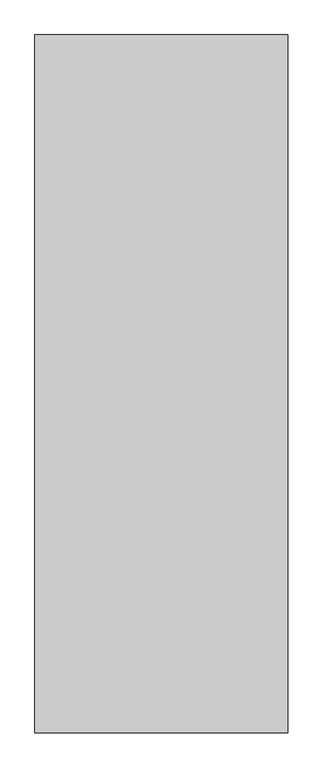
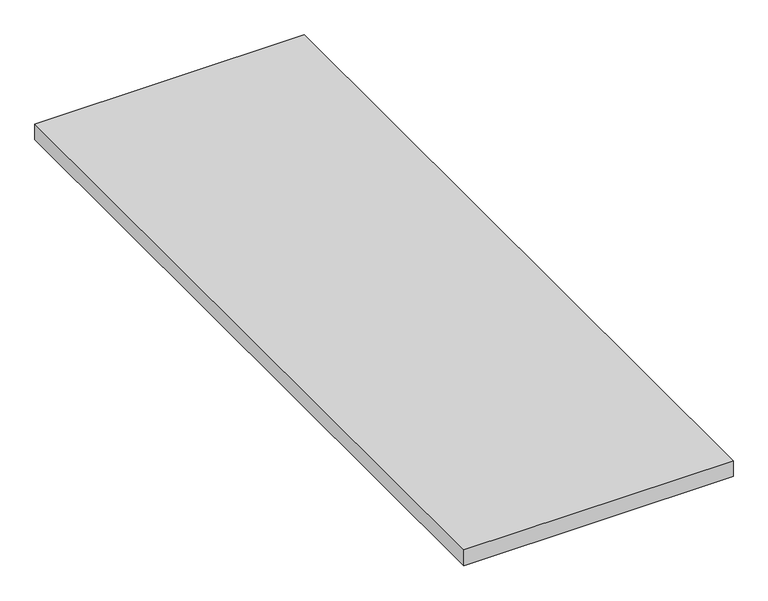
"""IFC4 building model written with IfcOpenShell, lengths in millimetres: proxy geometry."""

import ifcopenshell
import ifcopenshell.guid

model = None  # the IFC model being written
_history = None  # IfcOwnerHistory: only IFC2X3 demands one
_inside = {}  # id of a spatial element -> (the spatial element, [elements in it])
_under = {}  # id of a project, library or spatial element -> (it, [spatial elements below it])
_declared = {}  # id of a project -> (the project, [libraries it declares])
_typed = {}  # id of a type object -> (the type object, [elements of that type])
_made_of = {}  # id of a material, layer set ... -> (it, [elements and type objects made of it])


def new_model(schema):
    """Start an empty IFC model of exactly this schema.

    Asked for "IFC4X3", IfcOpenShell would pick the latest addendum, in which some entities
    have other attributes; the version numbers below select the first issue.
    IFC2X3 requires an IfcOwnerHistory on every rooted entity: one is made here for all.
    """
    global model, _history
    if schema == "IFC4X3":
        model = ifcopenshell.file(schema_version=(4, 3, 0, 0))
    else:
        model = ifcopenshell.file(schema=schema)
    _inside.clear()
    _under.clear()
    _declared.clear()
    _typed.clear()
    _made_of.clear()
    _history = None
    if model.schema == "IFC2X3":
        org = make("IfcOrganization", Name="unknown")
        user = make(
            "IfcPersonAndOrganization",
            ThePerson=make("IfcPerson", FamilyName="unknown"),
            TheOrganization=org,
        )
        app = make(
            "IfcApplication",
            ApplicationDeveloper=org,
            Version="unknown",
            ApplicationFullName="unknown",
            ApplicationIdentifier="unknown",
        )
        _history = make(
            "IfcOwnerHistory",
            OwningUser=user,
            OwningApplication=app,
            ChangeAction="ADDED",
            CreationDate=0,
        )
    return model


def make(cls, **values):
    """One entity of the class cls with the attributes given. An attribute that is None is left unset."""
    return model.create_entity(
        cls, **{name: value for name, value in values.items() if value is not None}
    )


def rooted(cls, **values):
    """An entity with a GlobalId (a new one), such as an element, a storey or a relation."""
    return make(cls, GlobalId=ifcopenshell.guid.new(), OwnerHistory=_history, **values)


def si_unit(unit_type, name, prefix=None):
    """IfcSIUnit, for example si_unit("LENGTHUNIT", "METRE", prefix="MILLI")."""
    return make("IfcSIUnit", UnitType=unit_type, Prefix=prefix, Name=name)


def assignment(units):
    """IfcUnitAssignment: the units of a project."""
    return None if units is None else make("IfcUnitAssignment", Units=units)


def point(xyz):
    """IfcCartesianPoint."""
    return None if xyz is None else make("IfcCartesianPoint", Coordinates=xyz)


def direction(xyz):
    """IfcDirection."""
    return None if xyz is None else make("IfcDirection", DirectionRatios=xyz)


def frame(location, z_axis=None, x_axis=None):
    """IfcAxis2Placement3D, a coordinate frame: its origin and axes. An axis left out is left unset."""
    return make(
        "IfcAxis2Placement3D",
        Location=point(location),
        Axis=direction(z_axis),
        RefDirection=direction(x_axis),
    )


def origin():
    """The frame at (0, 0, 0) with its axes left unset."""
    return frame((0.0, 0.0, 0.0))


def place(relative_to, where):
    """IfcLocalPlacement: puts the frame where relative to a parent placement (None: the world)."""
    return make(
        "IfcLocalPlacement", PlacementRelTo=relative_to, RelativePlacement=where
    )


def context(
    kind, dimensions, precision=None, world=None, true_north=None, identifier=None
):
    """IfcGeometricRepresentationContext, for example the 3D "Model" context."""
    return make(
        "IfcGeometricRepresentationContext",
        ContextIdentifier=identifier,
        ContextType=kind,
        CoordinateSpaceDimension=dimensions,
        Precision=precision,
        WorldCoordinateSystem=world,
        TrueNorth=true_north,
    )


def project(units=None, contexts=None):
    """IfcProject with its units and contexts."""
    return rooted(
        "IfcProject",
        Name="project",
        RepresentationContexts=contexts,
        UnitsInContext=assignment(units),
    )


def spatial(cls, under=None, at=None, **own):
    """A site, building, storey or space (cls), placed at a placement, below another one or the project."""
    s = rooted(cls, ObjectPlacement=at, **own)
    if under is not None:
        _under.setdefault(under.id(), (under, []))[1].append(s)
    return s


def polyline(points):
    """IfcPolyline through the points."""
    return make("IfcPolyline", Points=[point(p) for p in points])


def outline(outer, holes=None, kind="AREA"):
    """IfcArbitraryClosedProfileDef: a profile drawn as a closed curve; with holes, ...WithVoids."""
    if holes is None:
        return make("IfcArbitraryClosedProfileDef", ProfileType=kind, OuterCurve=outer)
    return make(
        "IfcArbitraryProfileDefWithVoids",
        ProfileType=kind,
        OuterCurve=outer,
        InnerCurves=holes,
    )


def extrude(swept, where, along, depth):
    """IfcExtrudedAreaSolid: the profile swept, set in the frame where, extruded along a direction by depth."""
    return make(
        "IfcExtrudedAreaSolid",
        SweptArea=swept,
        Position=where,
        ExtrudedDirection=direction(along),
        Depth=depth,
    )


def shape(context_of_items, identifier, shape_type, items):
    """IfcShapeRepresentation: the items that make up one representation, for example the "Body"."""
    return make(
        "IfcShapeRepresentation",
        ContextOfItems=context_of_items,
        RepresentationIdentifier=identifier,
        RepresentationType=shape_type,
        Items=items,
    )


def source(mapping_origin, context_of_items, identifier, shape_type, items):
    """IfcRepresentationMap: a shape defined once, which mapped items show again and again."""
    return make(
        "IfcRepresentationMap",
        MappingOrigin=mapping_origin,
        MappedRepresentation=shape(context_of_items, identifier, shape_type, items),
    )


def transform(
    local_origin,
    x_axis=None,
    y_axis=None,
    z_axis=None,
    scale=None,
    scale2=None,
    scale3=None,
    uniform=True,
):
    """IfcCartesianTransformationOperator3D, or its non-uniform kind. x_axis, y_axis, z_axis: its Axis1, 2, 3."""
    if uniform:
        return make(
            "IfcCartesianTransformationOperator3D",
            Axis1=direction(x_axis),
            Axis2=direction(y_axis),
            LocalOrigin=point(local_origin),
            Scale=scale,
            Axis3=direction(z_axis),
        )
    return make(
        "IfcCartesianTransformationOperator3DnonUniform",
        Axis1=direction(x_axis),
        Axis2=direction(y_axis),
        LocalOrigin=point(local_origin),
        Scale=scale,
        Axis3=direction(z_axis),
        Scale2=scale2,
        Scale3=scale3,
    )


def mapped(mapping_source, mapping_target):
    """IfcMappedItem: shows the shape of a source again, moved by a transform."""
    return make(
        "IfcMappedItem", MappingSource=mapping_source, MappingTarget=mapping_target
    )


def made_of(thing, what):
    """Note that an element or type object is made of a material, layer set ...; save() writes the relation."""
    if what is not None:
        _made_of.setdefault(what.id(), (what, []))[1].append(thing)
    return thing


def element(
    cls,
    number,
    at=None,
    inside=None,
    cuts=None,
    type_object=None,
    material=None,
    context=None,
    identifier="Body",
    shape_type=None,
    held_by="IfcProductDefinitionShape",
    body=None,
    shapes=None,
    **own,
):
    """One element of the class cls, such as IfcWall. Its Tag is "e" and its number.

    at: its placement. inside: the storey or other place that contains it. cuts: it is an
    opening in that element (IfcRelVoidsElement). A single representation is given by context,
    identifier, shape_type and body (its items); several are given by shapes. held_by: the class
    of the entity that holds the representations. save() writes the other relations.
    """
    e = rooted(cls, Tag="e%d" % number, ObjectPlacement=at, **own)
    if body is not None:
        shapes = [shape(context, identifier, shape_type, body)]
    if shapes is not None:
        e.Representation = make(held_by, Representations=shapes)
    if inside is not None:
        _inside.setdefault(inside.id(), (inside, []))[1].append(e)
    if cuts is not None:
        rooted(
            "IfcRelVoidsElement", RelatingBuildingElement=cuts, RelatedOpeningElement=e
        )
    if type_object is not None:
        _typed.setdefault(type_object.id(), (type_object, []))[1].append(e)
    return made_of(e, material)


def aggregate(whole, parts):
    """IfcRelAggregates: a whole, such as a stair, and the parts it consists of."""
    return rooted("IfcRelAggregates", RelatingObject=whole, RelatedObjects=parts)


def save(model, path):
    """Write the relations noted so far, then the file.

    IfcRelAggregates (storeys below a building ...), IfcRelContainedInSpatialStructure (elements
    in a storey), IfcRelDefinesByType, IfcRelAssociatesMaterial and IfcRelDeclares: one each for
    every whole, place, type object, material and project.
    """
    for whole, parts in _under.values():
        aggregate(whole, parts)
    for where, things in _inside.values():
        rooted(
            "IfcRelContainedInSpatialStructure",
            RelatedElements=things,
            RelatingStructure=where,
        )
    for kind, things in _typed.values():
        rooted("IfcRelDefinesByType", RelatedObjects=things, RelatingType=kind)
    for what, things in _made_of.values():
        rooted("IfcRelAssociatesMaterial", RelatedObjects=things, RelatingMaterial=what)
    for by, libraries in _declared.values():
        rooted("IfcRelDeclares", RelatingContext=by, RelatedDefinitions=libraries)
    model.write(path)


def generic_models_fc7985b0(model_context):
    return source(origin(), model_context, "Body", "SweptSolid", [
        extrude(outline(polyline([(863.0, -69.0), (863.0, -2376.0), (27.5, -2376.0), (27.5, -69.0), (863.0, -69.0)])), frame((0.0, 0.0, -68.0), z_axis=(0.0, 0.0, 1.0), x_axis=(1.0, 0.0, 0.0)), (0.0, 0.0, 1.0), 52.0),
    ])


if __name__ == "__main__":
    model = new_model("IFC4")
    model_context = context("Model", 3, world=origin())
    ifc_project = project(units=[si_unit("LENGTHUNIT", "METRE", prefix="MILLI")], contexts=[model_context])
    site = spatial("IfcSite", under=ifc_project)
    building = spatial("IfcBuilding", under=site)
    placement = place(None, origin())
    generic_models_shape = generic_models_fc7985b0(model_context)
    element("IfcBuildingElementProxy", 1, Name="Generic Models", at=placement, inside=building, context=model_context, shape_type="MappedRepresentation", body=[
        mapped(generic_models_shape, transform((0.0, 0.0, 0.0), x_axis=(1.0, 0.0, 0.0), y_axis=(0.0, 1.0, 0.0), z_axis=(0.0, 0.0, 1.0))),
    ])
    save(model, "model.ifc")
